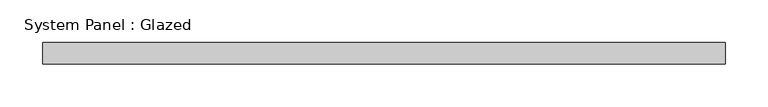
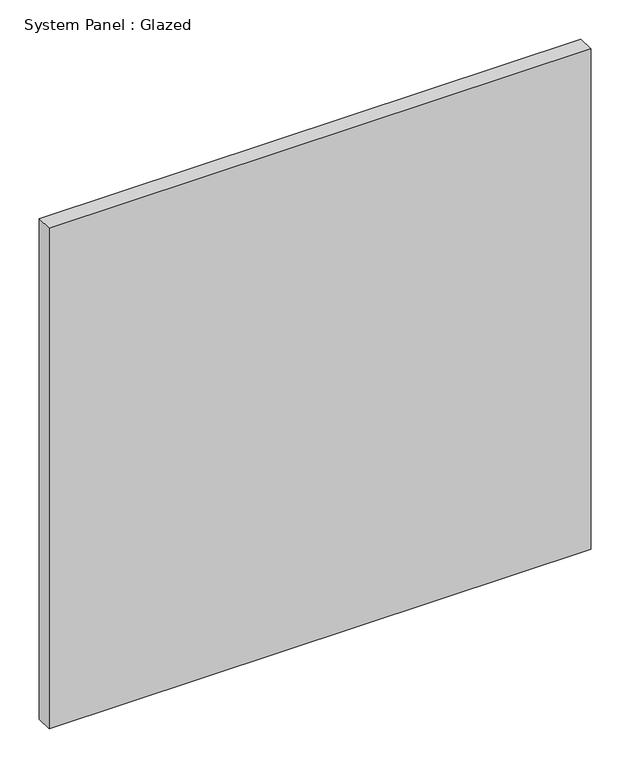
"""IFC4 building model written with IfcOpenShell, lengths in millimetres: plate geometry, System Panel : Glazed."""

from ifc_helpers import new_model, si_unit, origin, origin_with_axes, place, context, project, spatial, polyline, outline, extrude, source, transform, mapped, element, save


def system_panel_glazed_1ab4c97f(model_context):
    return source(origin(), model_context, "Body", "SweptSolid", [
        extrude(outline(polyline([(400.05, 0.0), (-400.05, 0.0), (-400.05, 25.4), (400.05, 25.4), (400.05, 0.0)])), origin_with_axes(), (0.0, 0.0, 1.0), 781.0499999),
    ])


if __name__ == "__main__":
    model = new_model("IFC4")
    model_context = context("Model", 3, world=origin())
    ifc_project = project(units=[si_unit("LENGTHUNIT", "METRE", prefix="MILLI")], contexts=[model_context])
    site = spatial("IfcSite", under=ifc_project)
    building = spatial("IfcBuilding", under=site)
    placement = place(None, origin())
    system_panel_glazed_shape = system_panel_glazed_1ab4c97f(model_context)
    element("IfcPlate", 1, ObjectType="System Panel : Glazed", at=placement, inside=building, context=model_context, shape_type="MappedRepresentation", body=[
        mapped(system_panel_glazed_shape, transform((0.0, 0.0, 0.0), x_axis=(1.0, 0.0, 0.0), y_axis=(0.0, 1.0, 0.0), z_axis=(0.0, 0.0, 1.0))),
    ])
    save(model, "model.ifc")
